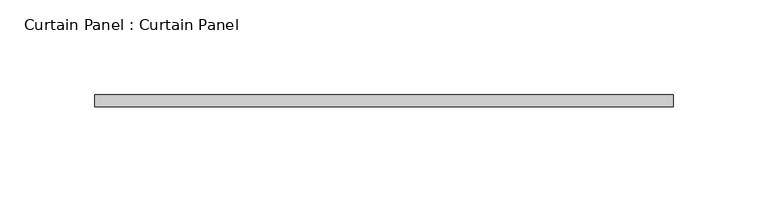
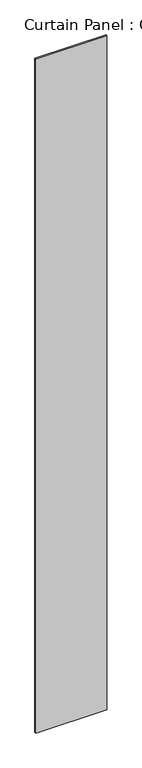
"""IFC4 building model written with IfcOpenShell, lengths in millimetres: plate geometry, Curtain Panel : Curtain Panel."""

from ifc_helpers import new_model, si_unit, origin, origin_with_axes, place, context, project, spatial, polyline, outline, extrude, source, transform, mapped, element, save


def curtain_panel_curtain_panel_4d6b269a(model_context):
    return source(origin(), model_context, "Body", "SweptSolid", [
        extrude(outline(polyline([(1770.384329, 2388.3801865), (2075.184329, 2388.3801865), (2075.184329, 2382.0301865), (1770.384329, 2382.0301865), (1770.384329, 2388.3801865)])), origin_with_axes(), (0.0, 0.0, 1.0), 3048.0),
    ])


if __name__ == "__main__":
    model = new_model("IFC4")
    model_context = context("Model", 3, world=origin())
    ifc_project = project(units=[si_unit("LENGTHUNIT", "METRE", prefix="MILLI")], contexts=[model_context])
    site = spatial("IfcSite", under=ifc_project)
    building = spatial("IfcBuilding", under=site)
    placement = place(None, origin())
    curtain_panel_curtain_panel_shape = curtain_panel_curtain_panel_4d6b269a(model_context)
    element("IfcPlate", 1, ObjectType="Curtain Panel : Curtain Panel", at=placement, inside=building, context=model_context, shape_type="MappedRepresentation", body=[
        mapped(curtain_panel_curtain_panel_shape, transform((0.0, 0.0, 0.0), x_axis=(1.0, 0.0, 0.0), y_axis=(0.0, 1.0, 0.0), z_axis=(0.0, 0.0, 1.0))),
    ])
    save(model, "model.ifc")
